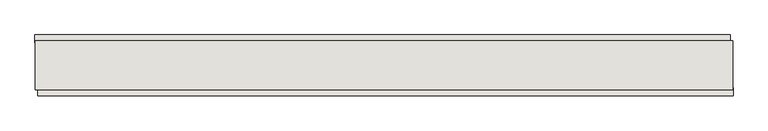
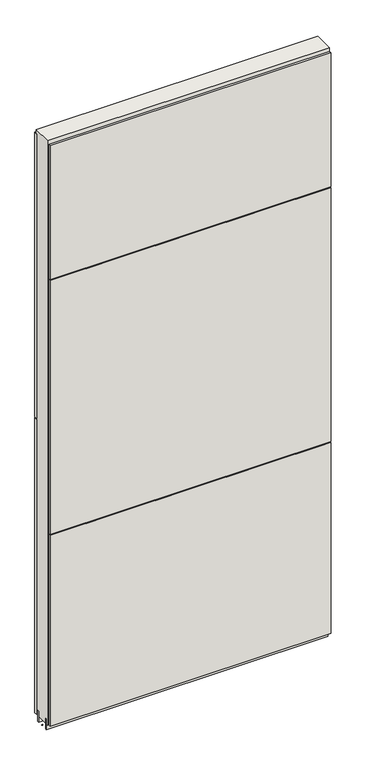
"""IFC4 building model written with IfcOpenShell, lengths in millimetres: wall geometry."""

import ifcopenshell
import ifcopenshell.guid

model = None  # the IFC model being written
_history = None  # IfcOwnerHistory: only IFC2X3 demands one
_inside = {}  # id of a spatial element -> (the spatial element, [elements in it])
_under = {}  # id of a project, library or spatial element -> (it, [spatial elements below it])
_declared = {}  # id of a project -> (the project, [libraries it declares])
_typed = {}  # id of a type object -> (the type object, [elements of that type])
_made_of = {}  # id of a material, layer set ... -> (it, [elements and type objects made of it])


def new_model(schema):
    """Start an empty IFC model of exactly this schema.

    Asked for "IFC4X3", IfcOpenShell would pick the latest addendum, in which some entities
    have other attributes; the version numbers below select the first issue.
    IFC2X3 requires an IfcOwnerHistory on every rooted entity: one is made here for all.
    """
    global model, _history
    if schema == "IFC4X3":
        model = ifcopenshell.file(schema_version=(4, 3, 0, 0))
    else:
        model = ifcopenshell.file(schema=schema)
    _inside.clear()
    _under.clear()
    _declared.clear()
    _typed.clear()
    _made_of.clear()
    _history = None
    if model.schema == "IFC2X3":
        org = make("IfcOrganization", Name="unknown")
        user = make(
            "IfcPersonAndOrganization",
            ThePerson=make("IfcPerson", FamilyName="unknown"),
            TheOrganization=org,
        )
        app = make(
            "IfcApplication",
            ApplicationDeveloper=org,
            Version="unknown",
            ApplicationFullName="unknown",
            ApplicationIdentifier="unknown",
        )
        _history = make(
            "IfcOwnerHistory",
            OwningUser=user,
            OwningApplication=app,
            ChangeAction="ADDED",
            CreationDate=0,
        )
    return model


def make(cls, **values):
    """One entity of the class cls with the attributes given. An attribute that is None is left unset."""
    return model.create_entity(
        cls, **{name: value for name, value in values.items() if value is not None}
    )


def rooted(cls, **values):
    """An entity with a GlobalId (a new one), such as an element, a storey or a relation."""
    return make(cls, GlobalId=ifcopenshell.guid.new(), OwnerHistory=_history, **values)


def si_unit(unit_type, name, prefix=None):
    """IfcSIUnit, for example si_unit("LENGTHUNIT", "METRE", prefix="MILLI")."""
    return make("IfcSIUnit", UnitType=unit_type, Prefix=prefix, Name=name)


def assignment(units):
    """IfcUnitAssignment: the units of a project."""
    return None if units is None else make("IfcUnitAssignment", Units=units)


def point(xyz):
    """IfcCartesianPoint."""
    return None if xyz is None else make("IfcCartesianPoint", Coordinates=xyz)


def direction(xyz):
    """IfcDirection."""
    return None if xyz is None else make("IfcDirection", DirectionRatios=xyz)


def frame(location, z_axis=None, x_axis=None):
    """IfcAxis2Placement3D, a coordinate frame: its origin and axes. An axis left out is left unset."""
    return make(
        "IfcAxis2Placement3D",
        Location=point(location),
        Axis=direction(z_axis),
        RefDirection=direction(x_axis),
    )


def origin():
    """The frame at (0, 0, 0) with its axes left unset."""
    return frame((0.0, 0.0, 0.0))


def place(relative_to, where):
    """IfcLocalPlacement: puts the frame where relative to a parent placement (None: the world)."""
    return make(
        "IfcLocalPlacement", PlacementRelTo=relative_to, RelativePlacement=where
    )


def context(
    kind, dimensions, precision=None, world=None, true_north=None, identifier=None
):
    """IfcGeometricRepresentationContext, for example the 3D "Model" context."""
    return make(
        "IfcGeometricRepresentationContext",
        ContextIdentifier=identifier,
        ContextType=kind,
        CoordinateSpaceDimension=dimensions,
        Precision=precision,
        WorldCoordinateSystem=world,
        TrueNorth=true_north,
    )


def project(units=None, contexts=None):
    """IfcProject with its units and contexts."""
    return rooted(
        "IfcProject",
        Name="project",
        RepresentationContexts=contexts,
        UnitsInContext=assignment(units),
    )


def spatial(cls, under=None, at=None, **own):
    """A site, building, storey or space (cls), placed at a placement, below another one or the project."""
    s = rooted(cls, ObjectPlacement=at, **own)
    if under is not None:
        _under.setdefault(under.id(), (under, []))[1].append(s)
    return s


def polyline(points):
    """IfcPolyline through the points."""
    return make("IfcPolyline", Points=[point(p) for p in points])


def outline(outer, holes=None, kind="AREA"):
    """IfcArbitraryClosedProfileDef: a profile drawn as a closed curve; with holes, ...WithVoids."""
    if holes is None:
        return make("IfcArbitraryClosedProfileDef", ProfileType=kind, OuterCurve=outer)
    return make(
        "IfcArbitraryProfileDefWithVoids",
        ProfileType=kind,
        OuterCurve=outer,
        InnerCurves=holes,
    )


def extrude(swept, where, along, depth):
    """IfcExtrudedAreaSolid: the profile swept, set in the frame where, extruded along a direction by depth."""
    return make(
        "IfcExtrudedAreaSolid",
        SweptArea=swept,
        Position=where,
        ExtrudedDirection=direction(along),
        Depth=depth,
    )


def shape(context_of_items, identifier, shape_type, items):
    """IfcShapeRepresentation: the items that make up one representation, for example the "Body"."""
    return make(
        "IfcShapeRepresentation",
        ContextOfItems=context_of_items,
        RepresentationIdentifier=identifier,
        RepresentationType=shape_type,
        Items=items,
    )


def source(mapping_origin, context_of_items, identifier, shape_type, items):
    """IfcRepresentationMap: a shape defined once, which mapped items show again and again."""
    return make(
        "IfcRepresentationMap",
        MappingOrigin=mapping_origin,
        MappedRepresentation=shape(context_of_items, identifier, shape_type, items),
    )


def transform(
    local_origin,
    x_axis=None,
    y_axis=None,
    z_axis=None,
    scale=None,
    scale2=None,
    scale3=None,
    uniform=True,
):
    """IfcCartesianTransformationOperator3D, or its non-uniform kind. x_axis, y_axis, z_axis: its Axis1, 2, 3."""
    if uniform:
        return make(
            "IfcCartesianTransformationOperator3D",
            Axis1=direction(x_axis),
            Axis2=direction(y_axis),
            LocalOrigin=point(local_origin),
            Scale=scale,
            Axis3=direction(z_axis),
        )
    return make(
        "IfcCartesianTransformationOperator3DnonUniform",
        Axis1=direction(x_axis),
        Axis2=direction(y_axis),
        LocalOrigin=point(local_origin),
        Scale=scale,
        Axis3=direction(z_axis),
        Scale2=scale2,
        Scale3=scale3,
    )


def mapped(mapping_source, mapping_target):
    """IfcMappedItem: shows the shape of a source again, moved by a transform."""
    return make(
        "IfcMappedItem", MappingSource=mapping_source, MappingTarget=mapping_target
    )


def made_of(thing, what):
    """Note that an element or type object is made of a material, layer set ...; save() writes the relation."""
    if what is not None:
        _made_of.setdefault(what.id(), (what, []))[1].append(thing)
    return thing


def element(
    cls,
    number,
    at=None,
    inside=None,
    cuts=None,
    type_object=None,
    material=None,
    context=None,
    identifier="Body",
    shape_type=None,
    held_by="IfcProductDefinitionShape",
    body=None,
    shapes=None,
    **own,
):
    """One element of the class cls, such as IfcWall. Its Tag is "e" and its number.

    at: its placement. inside: the storey or other place that contains it. cuts: it is an
    opening in that element (IfcRelVoidsElement). A single representation is given by context,
    identifier, shape_type and body (its items); several are given by shapes. held_by: the class
    of the entity that holds the representations. save() writes the other relations.
    """
    e = rooted(cls, Tag="e%d" % number, ObjectPlacement=at, **own)
    if body is not None:
        shapes = [shape(context, identifier, shape_type, body)]
    if shapes is not None:
        e.Representation = make(held_by, Representations=shapes)
    if inside is not None:
        _inside.setdefault(inside.id(), (inside, []))[1].append(e)
    if cuts is not None:
        rooted(
            "IfcRelVoidsElement", RelatingBuildingElement=cuts, RelatedOpeningElement=e
        )
    if type_object is not None:
        _typed.setdefault(type_object.id(), (type_object, []))[1].append(e)
    return made_of(e, material)


def aggregate(whole, parts):
    """IfcRelAggregates: a whole, such as a stair, and the parts it consists of."""
    return rooted("IfcRelAggregates", RelatingObject=whole, RelatedObjects=parts)


def save(model, path):
    """Write the relations noted so far, then the file.

    IfcRelAggregates (storeys below a building ...), IfcRelContainedInSpatialStructure (elements
    in a storey), IfcRelDefinesByType, IfcRelAssociatesMaterial and IfcRelDeclares: one each for
    every whole, place, type object, material and project.
    """
    for whole, parts in _under.values():
        aggregate(whole, parts)
    for where, things in _inside.values():
        rooted(
            "IfcRelContainedInSpatialStructure",
            RelatedElements=things,
            RelatingStructure=where,
        )
    for kind, things in _typed.values():
        rooted("IfcRelDefinesByType", RelatedObjects=things, RelatingType=kind)
    for what, things in _made_of.values():
        rooted("IfcRelAssociatesMaterial", RelatedObjects=things, RelatingMaterial=what)
    for by, libraries in _declared.values():
        rooted("IfcRelDeclares", RelatingContext=by, RelatedDefinitions=libraries)
    model.write(path)


def wall_285e45a3(model_context):
    return source(origin(), model_context, "Body", "SweptSolid", [
        extrude(outline(polyline([(42876.4761976, -42604.8338656), (42873.9361976, -42604.8338656), (42873.9361976, -42602.2938656), (42876.4761976, -42602.2938656), (42876.4761976, -42604.8338656)])), frame((0.0, 0.0, 4419.6), z_axis=(0.0, 0.0, 1.0), x_axis=(1.0, 0.0, 0.0)), (0.0, 0.0, 1.0), 2.54),
        extrude(outline(polyline([(42873.4730794, -42552.7669644), (44037.8730874, -42552.7669644), (44037.8730874, -42565.4669644), (42873.4730794, -42565.4669644), (42873.4730794, -42552.7669644)])), frame((0.0, 0.0, 5742.4000722), z_axis=(0.0, 0.0, 1.0), x_axis=(1.0, 0.0, 0.0)), (0.0, 0.0, 1.0), 1247.649905),
        extrude(outline(polyline([(42873.4730794, -42552.7669644), (44037.8730874, -42552.7669644), (44037.8730874, -42565.4669644), (42873.4730794, -42565.4669644), (42873.4730794, -42552.7669644)])), frame((0.0, 0.0, 4445.0), z_axis=(0.0, 0.0, 1.0), x_axis=(1.0, 0.0, 0.0)), (0.0, 0.0, 1.0), 1293.400004),
        extrude(outline(polyline([(44042.8030242, -42654.3638656), (42878.4030162, -42654.3638656), (42878.4030162, -42641.6638656), (44042.8030242, -42641.6638656), (44042.8030242, -42654.3638656)])), frame((0.0, 0.0, 6402.8000722), z_axis=(0.0, 0.0, 1.0), x_axis=(1.0, 0.0, 0.0)), (0.0, 0.0, 1.0), 587.2498034),
        extrude(outline(polyline([(44042.8030242, -42654.3638656), (42878.4030162, -42654.3638656), (42878.4030162, -42641.6638656), (44042.8030242, -42641.6638656), (44042.8030242, -42654.3638656)])), frame((0.0, 0.0, 5285.2000722), z_axis=(0.0, 0.0, 1.0), x_axis=(1.0, 0.0, 0.0)), (0.0, 0.0, 1.0), 1113.5999572),
        extrude(outline(polyline([(44042.8030242, -42654.3638656), (42878.4030162, -42654.3638656), (42878.4030162, -42641.6638656), (44042.8030242, -42641.6638656), (44042.8030242, -42654.3638656)])), frame((0.0, 0.0, 4445.0), z_axis=(0.0, 0.0, 1.0), x_axis=(1.0, 0.0, 0.0)), (0.0, 0.0, 1.0), 836.200004),
        extrude(outline(polyline([(44042.3287554, -42578.4770222), (42873.9287554, -42578.4770222), (42873.9287554, -42573.3982668), (44042.3287554, -42573.3982668), (44042.3287554, -42578.4770222)])), frame((0.0, 0.0, 4418.6602), z_axis=(0.0, 0.0, 1.0), x_axis=(1.0, 0.0, 0.0)), (0.0, 0.0, 1.0), 47.625),
        extrude(outline(polyline([(44042.3287554, -42578.4770222), (42873.9287554, -42578.4770222), (42873.9287554, -42573.3982668), (44042.3287554, -42573.3982668), (44042.3287554, -42578.4770222)])), frame((0.0, 0.0, 4418.6602), z_axis=(0.0, 0.0, 1.0), x_axis=(1.0, 0.0, 0.0)), (0.0, 0.0, 1.0), 47.625),
        extrude(outline(polyline([(42873.9287554, -42628.6414126), (44042.3287554, -42628.6414126), (44042.3287554, -42633.7232668), (42873.9287554, -42633.7232668), (42873.9287554, -42628.6414126)])), frame((0.0, 0.0, 4418.6602), z_axis=(0.0, 0.0, 1.0), x_axis=(1.0, 0.0, 0.0)), (0.0, 0.0, 1.0), 47.625),
        extrude(outline(polyline([(42873.9287554, -42628.6414126), (44042.3287554, -42628.6414126), (44042.3287554, -42633.7232668), (42873.9287554, -42633.7232668), (42873.9287554, -42628.6414126)])), frame((0.0, 0.0, 4418.6602), z_axis=(0.0, 0.0, 1.0), x_axis=(1.0, 0.0, 0.0)), (0.0, 0.0, 1.0), 47.625),
        extrude(outline(polyline([(44042.3287554, -42562.933797), (44042.3287554, -42644.2125524), (42873.9287554, -42644.2125524), (42873.9287554, -42562.933797), (44042.3287554, -42562.933797)])), frame((0.0, 0.0, 4445.0), z_axis=(0.0, 0.0, 1.0), x_axis=(1.0, 0.0, 0.0)), (0.0, 0.0, 1.0), 2562.4536762),
    ])


if __name__ == "__main__":
    model = new_model("IFC4")
    model_context = context("Model", 3, world=origin())
    ifc_project = project(units=[si_unit("LENGTHUNIT", "METRE", prefix="MILLI")], contexts=[model_context])
    site = spatial("IfcSite", under=ifc_project)
    building = spatial("IfcBuilding", under=site)
    placement = place(None, origin())
    wall_shape = wall_285e45a3(model_context)
    element("IfcWall", 1, at=placement, inside=building, context=model_context, shape_type="MappedRepresentation", body=[
        mapped(wall_shape, transform((0.0, 0.0, 0.0), x_axis=(1.0, 0.0, 0.0), y_axis=(0.0, 1.0, 0.0), z_axis=(0.0, 0.0, 1.0))),
    ])
    save(model, "model.ifc")
